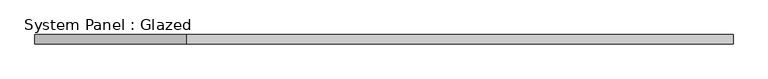
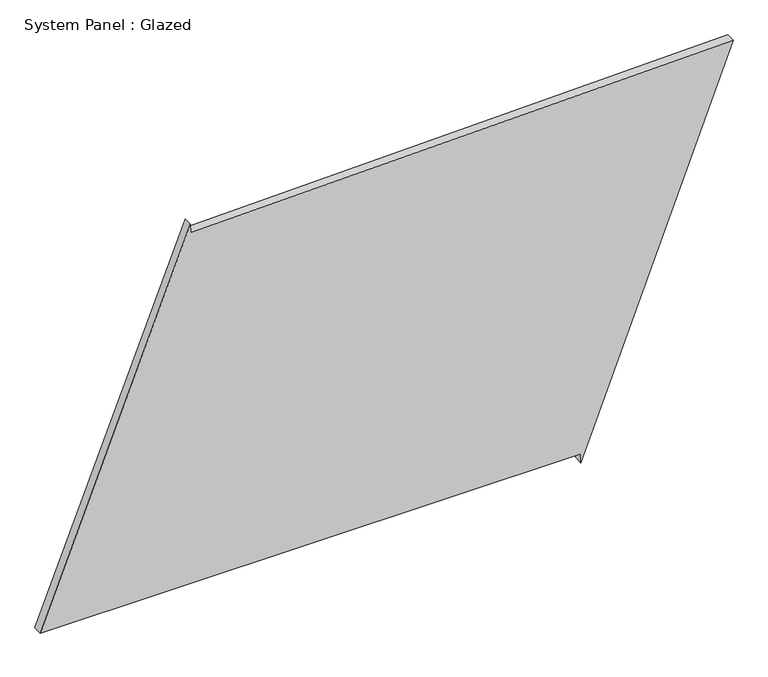
"""IFC4 building model written with IfcOpenShell, lengths in millimetres: plate geometry, System Panel : Glazed."""

from ifc_helpers import new_model, si_unit, frame, origin, place, context, project, spatial, polyline, outline, extrude, source, transform, mapped, element, save


def system_panel_glazed_31762da6(model_context):
    return source(origin(), model_context, "Body", "SweptSolid", [
        extrude(outline(polyline([(25.0, 534.3937177), (0.0, 534.3937177), (1083.2248197, 952.8525994), (1045.3931684, -539.1893712), (1070.3851359, -539.8230581), (25.0, -952.8525994), (25.0, 534.3937177)])), frame((0.0, -49.5, 0.0), z_axis=(0.0, 1.0, 0.0), x_axis=(0.0, 0.0, 1.0)), (0.0, 0.0, 1.0), 25.0),
    ])


if __name__ == "__main__":
    model = new_model("IFC4")
    model_context = context("Model", 3, world=origin())
    ifc_project = project(units=[si_unit("LENGTHUNIT", "METRE", prefix="MILLI")], contexts=[model_context])
    site = spatial("IfcSite", under=ifc_project)
    building = spatial("IfcBuilding", under=site)
    placement = place(None, origin())
    system_panel_glazed_shape = system_panel_glazed_31762da6(model_context)
    element("IfcPlate", 1, ObjectType="System Panel : Glazed", at=placement, inside=building, context=model_context, shape_type="MappedRepresentation", body=[
        mapped(system_panel_glazed_shape, transform((0.0, 0.0, 0.0), x_axis=(1.0, 0.0, 0.0), y_axis=(0.0, 1.0, 0.0), z_axis=(0.0, 0.0, 1.0))),
    ])
    save(model, "model.ifc")
